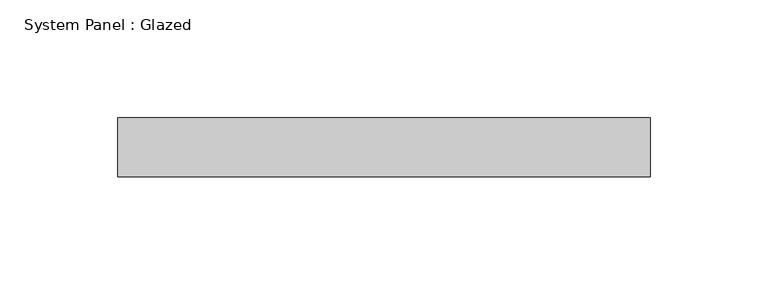
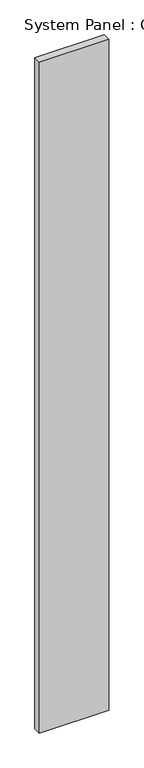
"""IFC4 building model written with IfcOpenShell, lengths in millimetres: plate geometry, System Panel : Glazed."""

from ifc_helpers import new_model, si_unit, origin, origin_with_axes, place, context, project, spatial, polyline, outline, extrude, source, transform, mapped, element, save


def system_panel_glazed_1e1e8bbb(model_context):
    return source(origin(), model_context, "Body", "SweptSolid", [
        extrude(outline(polyline([(112.7500002, -49.5), (-112.7500002, -49.5), (-112.7500002, -24.5), (112.7500002, -24.5), (112.7500002, -49.5)])), origin_with_axes(), (0.0, 0.0, 1.0), 2300.0),
    ])


if __name__ == "__main__":
    model = new_model("IFC4")
    model_context = context("Model", 3, world=origin())
    ifc_project = project(units=[si_unit("LENGTHUNIT", "METRE", prefix="MILLI")], contexts=[model_context])
    site = spatial("IfcSite", under=ifc_project)
    building = spatial("IfcBuilding", under=site)
    placement = place(None, origin())
    system_panel_glazed_shape = system_panel_glazed_1e1e8bbb(model_context)
    element("IfcPlate", 1, ObjectType="System Panel : Glazed", at=placement, inside=building, context=model_context, shape_type="MappedRepresentation", body=[
        mapped(system_panel_glazed_shape, transform((0.0, 0.0, 0.0), x_axis=(1.0, 0.0, 0.0), y_axis=(0.0, 1.0, 0.0), z_axis=(0.0, 0.0, 1.0))),
    ])
    save(model, "model.ifc")
